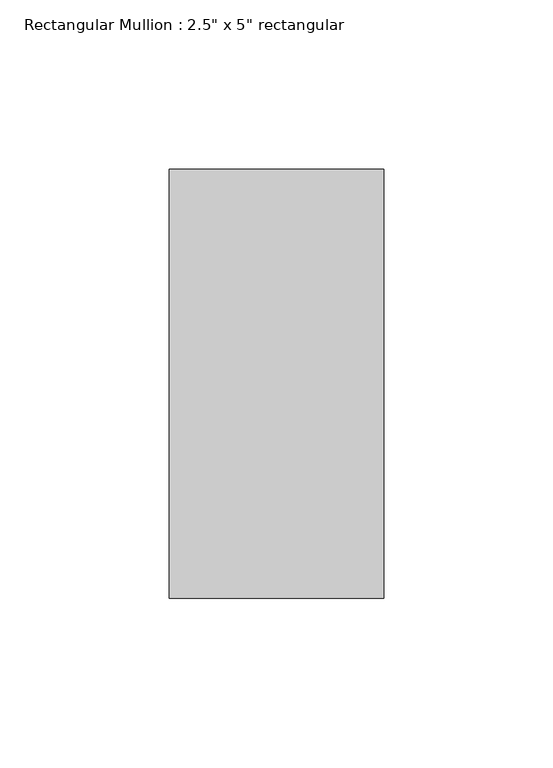
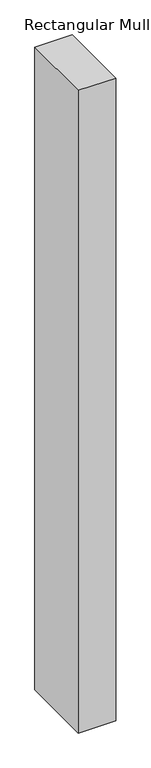
"""IFC4 building model written with IfcOpenShell, lengths in millimetres: member geometry."""

from ifc_helpers import new_model, si_unit, frame, origin, place, context, project, spatial, polyline, outline, extrude, source, transform, mapped, element, save


def member_b22b7717(model_context):
    return source(origin(), model_context, "Body", "SweptSolid", [
        extrude(outline(polyline([(31.75, 63.5), (31.75, -63.5), (-31.75, -63.5), (-31.75, 63.5), (31.75, 63.5)])), frame((0.0, 0.0, -1148.0799999), z_axis=(0.0, 0.0, 1.0), x_axis=(1.0, 0.0, 0.0)), (0.0, 0.0, 1.0), 1148.0799999),
    ])


if __name__ == "__main__":
    model = new_model("IFC4")
    model_context = context("Model", 3, world=origin())
    ifc_project = project(units=[si_unit("LENGTHUNIT", "METRE", prefix="MILLI")], contexts=[model_context])
    site = spatial("IfcSite", under=ifc_project)
    building = spatial("IfcBuilding", under=site)
    placement = place(None, origin())
    member_shape = member_b22b7717(model_context)
    element("IfcMember", 1, ObjectType="Rectangular Mullion : 2.5\" x 5\" rectangular", at=placement, inside=building, context=model_context, shape_type="MappedRepresentation", body=[
        mapped(member_shape, transform((0.0, 0.0, 0.0), x_axis=(1.0, 0.0, 0.0), y_axis=(0.0, 1.0, 0.0), z_axis=(0.0, 0.0, 1.0))),
    ])
    save(model, "model.ifc")
